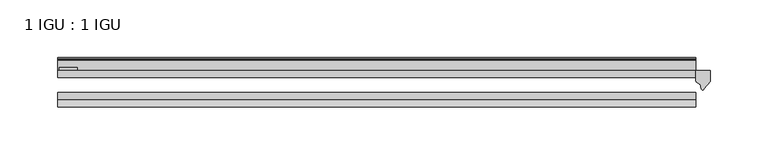
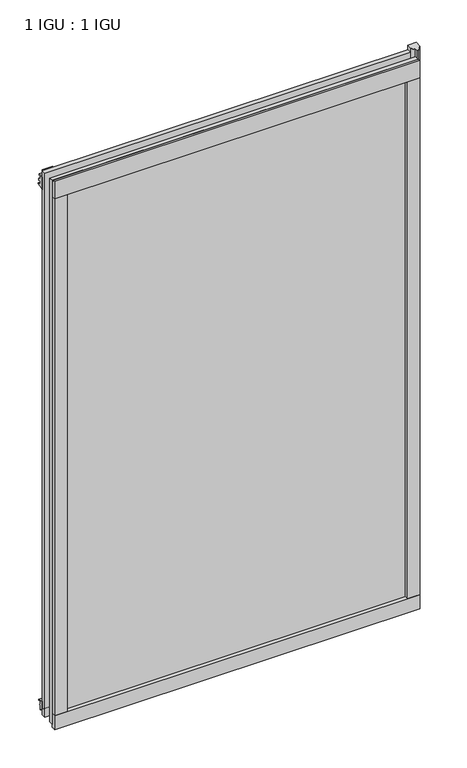
"""IFC4 building model written with IfcOpenShell, lengths in millimetres: plate geometry, 1 IGU : 1 IGU."""

from ifc_helpers import new_model, si_unit, point, frame, frame_2d, origin, place, context, project, spatial, polyline, circle_curve, trimmed, segment, composite_curve, outline, extrude, source, transform, mapped, element, save


def plate_1_igu_1_igu_fb6b6d5e(model_context):
    return source(origin(), model_context, "Body", "SweptSolid", [
        extrude(outline(polyline([(276.2170252, 0.0021347), (276.2170252, -6.2992), (-276.2170252, -6.2992), (-276.2170252, 0.0021347), (276.2170252, 0.0021347)])), frame((0.0, 0.0, -17.4498), z_axis=(0.0, 0.0, 1.0), x_axis=(1.0, 0.0, 0.0)), (0.0, 0.0, 1.0), 868.3366072),
        extrude(outline(polyline([(-276.2170252, -19.0986653), (276.2170252, -19.0986653), (276.2170252, -25.3978653), (-276.2170252, -25.3978653), (-276.2170252, -19.0986653)])), frame((0.0, 0.0, -17.4498), z_axis=(0.0, 0.0, 1.0), x_axis=(1.0, 0.0, 0.0)), (0.0, 0.0, 1.0), 868.3366072),
        extrude(outline(composite_curve([segment(polyline([(288.9170252, 0.0), (288.9170252, -9.7395025), (283.3507943, -16.3730781)]), True, "CONTINUOUS"), segment(trimmed(circle_curve(frame_2d((282.3971193, -15.7728374)), 1.1268473), [point((283.3507943, -16.3730781))], [point((281.2961664, -16.0130197))], False, "CARTESIAN"), True, "CONTINUOUS"), segment(polyline([(281.2961664, -16.0130197), (280.3159749, -11.7377885)]), True, "CONTINUOUS"), segment(trimmed(circle_curve(frame_2d((280.1885231, -7.7683362)), 3.9714979), [point((280.3159749, -11.7377885))], [point((276.2172038, -7.8060014))], False, "CARTESIAN"), True, "CONTINUOUS"), segment(polyline([(276.2172038, -7.8060014), (276.2172038, 0.0), (288.9170252, 0.0)]), True, "CONTINUOUS")], self_intersect=False)), frame((0.0, 0.0, -17.4498), z_axis=(0.0, 0.0, 1.0), x_axis=(1.0, 0.0, 0.0)), (0.0, 0.0, 1.0), 875.4740072),
        extrude(outline(composite_curve([segment(polyline([(-31.75, 0.0), (-25.4, 0.0), (-25.4, -22.225)]), True, "CONTINUOUS"), segment(trimmed(circle_curve(frame_2d((-28.575, -28.9113452)), 7.4018806), [point((-25.4, -22.225))], [point((-31.75, -22.225))], True, "CARTESIAN"), True, "CONTINUOUS"), segment(polyline([(-31.75, -22.225), (-31.75, 0.0)]), True, "CONTINUOUS")], self_intersect=False)), frame((-276.2170252, 0.0, 0.0), z_axis=(1.0, 0.0, 0.0), x_axis=(0.0, 1.0, 0.0)), (0.0, 0.0, 1.0), 552.4340504),
        extrude(outline(composite_curve([segment(trimmed(circle_curve(frame_2d((13.6593785, 32.4202472)), 31.3046461), [point((0.0, 4.2528503))], [point((9.3980339, 1.406995))], True, "CARTESIAN"), True, "CONTINUOUS"), segment(polyline([(9.3980339, 1.406995), (9.3980339, 0.0254), (6.35, 0.0254), (6.35, -5.1625788), (7.7309478, -5.3970663), (6.35, -8.0073788), (6.35, -11.8471127)]), True, "CONTINUOUS"), segment(trimmed(circle_curve(frame_2d((5.334, -11.8471127)), 1.016), [point((6.35, -11.8471127))], [point((4.6284878, -12.5782136))], False, "CARTESIAN"), True, "CONTINUOUS"), segment(trimmed(circle_curve(frame_2d((-23.3689302, -41.5910901)), 40.3187601), [point((4.6284878, -12.5782136))], [point((0.0, -8.735413))], True, "CARTESIAN"), True, "CONTINUOUS"), segment(polyline([(0.0, -8.735413), (0.0, 4.2528503)]), True, "CONTINUOUS")], self_intersect=False)), frame((-276.2170252, 0.0, 0.0), z_axis=(1.0, 0.0, 0.0), x_axis=(0.0, 1.0, 0.0)), (0.0, 0.0, 1.0), 552.4340504),
        extrude(outline(composite_curve([segment(polyline([(8.509, 840.7300284), (8.509, 838.6980284), (6.35, 838.6980284), (6.35, 833.3640284), (8.9492698, 833.3640284)]), True, "CONTINUOUS"), segment(trimmed(circle_curve(frame_2d((8.208689, 831.8368072)), 1.697311), [point((8.9492698, 833.3640284))], [point((8.962411, 830.3160284))], False, "CARTESIAN"), True, "CONTINUOUS"), segment(polyline([(8.962411, 830.3160284), (6.35, 830.3160284), (6.35, 825.4868072), (11.1252, 825.4868072), (11.1252, 824.5978072)]), True, "CONTINUOUS"), segment(trimmed(circle_curve(frame_2d((10.1092, 824.5978072)), 1.016), [point((11.1252, 824.5978072))], [point((10.1092, 823.5818072))], False, "CARTESIAN"), True, "CONTINUOUS"), segment(trimmed(circle_curve(frame_2d((10.1092, 804.1707318)), 19.4110754), [point((10.1092, 823.5818072))], [point((0.0, 820.7416075))], True, "CARTESIAN"), True, "CONTINUOUS"), segment(polyline([(0.0, 820.7416075), (0.0, 840.7300284), (8.509, 840.7300284)]), True, "CONTINUOUS")], self_intersect=False)), frame((-276.2170252, 0.0, 0.0), z_axis=(1.0, 0.0, 0.0), x_axis=(0.0, 1.0, 0.0)), (0.0, 0.0, 1.0), 552.4340504),
        extrude(outline(composite_curve([segment(polyline([(-25.4, 850.8868072), (-25.4, 825.4868072), (-31.75, 825.4868072), (-31.75, 853.6597045)]), True, "CONTINUOUS"), segment(trimmed(circle_curve(frame_2d((-24.1401272, 862.4292187)), 11.6109665), [point((-31.75, 853.6597045))], [point((-25.4, 850.8868072))], True, "CARTESIAN"), True, "CONTINUOUS")], self_intersect=False)), frame((-276.2170252, 0.0, 0.0), z_axis=(1.0, 0.0, 0.0), x_axis=(0.0, 1.0, 0.0)), (0.0, 0.0, 1.0), 552.4340504),
        extrude(outline(composite_curve([segment(polyline([(257.1670252, -25.4), (276.2170252, -25.4)]), True, "CONTINUOUS"), segment(trimmed(circle_curve(frame_2d((285.6831759, -28.575)), 9.9844196), [point((276.2170252, -25.4))], [point((276.2170252, -31.75))], True, "CARTESIAN"), True, "CONTINUOUS"), segment(polyline([(276.2170252, -31.75), (257.1670252, -31.75), (257.1670252, -25.4)]), True, "CONTINUOUS")], self_intersect=False)), frame((0.0, 0.0, -17.4498), z_axis=(0.0, 0.0, 1.0), x_axis=(1.0, 0.0, 0.0)), (0.0, 0.0, 1.0), 868.3366072),
        extrude(outline(composite_curve([segment(trimmed(circle_curve(frame_2d((-285.6831759, -28.575)), 9.9844196), [point((-276.2170252, -31.75))], [point((-276.2170252, -25.4))], True, "CARTESIAN"), True, "CONTINUOUS"), segment(polyline([(-276.2170252, -25.4), (-257.1670252, -25.4), (-257.1670252, -31.75), (-276.2170252, -31.75)]), True, "CONTINUOUS")], self_intersect=False)), frame((0.0, 0.0, -17.4498), z_axis=(0.0, 0.0, 1.0), x_axis=(1.0, 0.0, 0.0)), (0.0, 0.0, 1.0), 868.3366072),
        extrude(outline(polyline([(-275.0105252, 0.0), (-275.0105252, 2.286), (-259.1355252, 2.286), (-259.1355252, 0.0), (-275.0105252, 0.0)])), frame((0.0, 0.0, -17.4498), z_axis=(0.0, 0.0, 1.0), x_axis=(1.0, 0.0, 0.0)), (0.0, 0.0, 1.0), 868.3366072),
    ])


if __name__ == "__main__":
    model = new_model("IFC4")
    model_context = context("Model", 3, world=origin())
    ifc_project = project(units=[si_unit("LENGTHUNIT", "METRE", prefix="MILLI")], contexts=[model_context])
    site = spatial("IfcSite", under=ifc_project)
    building = spatial("IfcBuilding", under=site)
    placement = place(None, origin())
    plate_1_igu_1_igu_shape = plate_1_igu_1_igu_fb6b6d5e(model_context)
    element("IfcPlate", 1, ObjectType="1 IGU : 1 IGU", at=placement, inside=building, context=model_context, shape_type="MappedRepresentation", body=[
        mapped(plate_1_igu_1_igu_shape, transform((0.0, 0.0, 0.0), x_axis=(1.0, 0.0, 0.0), y_axis=(0.0, 1.0, 0.0), z_axis=(0.0, 0.0, 1.0))),
    ])
    save(model, "model.ifc")
